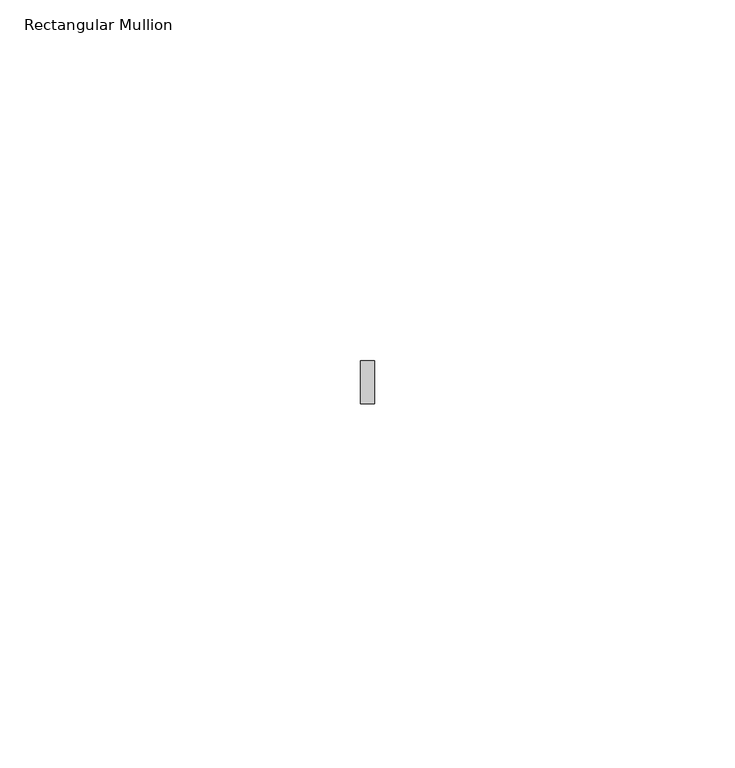
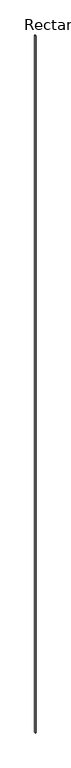
"""IFC4 building model written with IfcOpenShell, lengths in millimetres: member geometry, Rectangular Mullion."""

from ifc_helpers import new_model, si_unit, frame, origin, place, context, project, spatial, polyline, outline, extrude, source, transform, mapped, element, save


def rectangular_mullion_fbff174a(model_context):
    return source(origin(), model_context, "Body", "SweptSolid", [
        extrude(outline(polyline([(1.0, -3.0), (-1.0, -3.0), (-1.0, 3.0), (1.0, 3.0), (1.0, -3.0)])), frame((0.0, 0.0, -2923.8690924), z_axis=(0.0, 0.0, 1.0), x_axis=(1.0, 0.0, 0.0)), (0.0, 0.0, 1.0), 2923.8690924),
    ])


if __name__ == "__main__":
    model = new_model("IFC4")
    model_context = context("Model", 3, world=origin())
    ifc_project = project(units=[si_unit("LENGTHUNIT", "METRE", prefix="MILLI")], contexts=[model_context])
    site = spatial("IfcSite", under=ifc_project)
    building = spatial("IfcBuilding", under=site)
    placement = place(None, origin())
    rectangular_mullion_shape = rectangular_mullion_fbff174a(model_context)
    element("IfcMember", 1, ObjectType="Rectangular Mullion", at=placement, inside=building, context=model_context, shape_type="MappedRepresentation", body=[
        mapped(rectangular_mullion_shape, transform((0.0, 0.0, 0.0), x_axis=(1.0, 0.0, 0.0), y_axis=(0.0, 1.0, 0.0), z_axis=(0.0, 0.0, 1.0))),
    ])
    save(model, "model.ifc")
